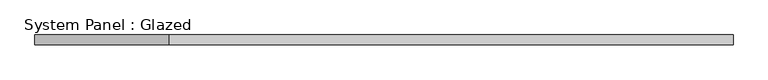
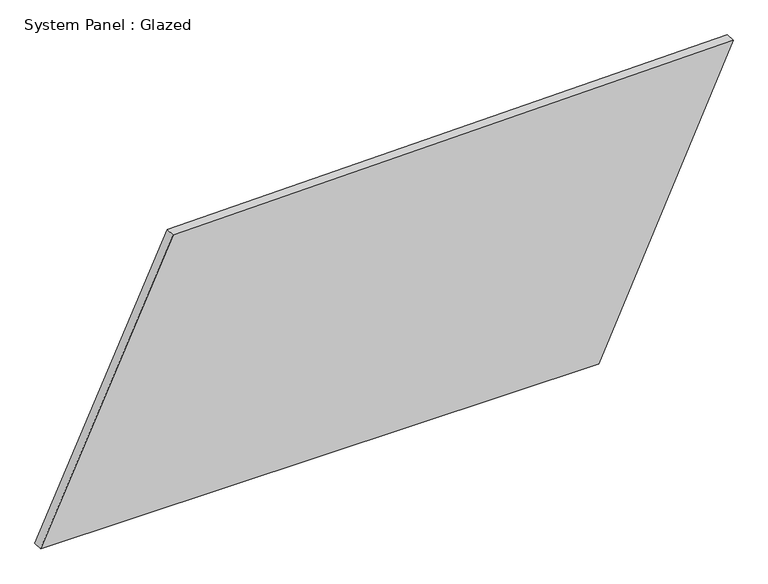
"""IFC4 building model written with IfcOpenShell, lengths in millimetres: plate geometry, System Panel : Glazed."""

from ifc_helpers import new_model, si_unit, frame, origin, place, context, project, spatial, polyline, outline, extrude, source, transform, mapped, element, save


def system_panel_glazed_399af251(model_context):
    return source(origin(), model_context, "Body", "SweptSolid", [
        extrude(outline(polyline([(0.0, -891.431737), (0.0, 546.1100928), (760.2722076, 891.431737), (734.7356873, -550.1799041), (0.0, -891.431737)])), frame((0.0, -49.5, 0.0), z_axis=(0.0, 1.0, 0.0), x_axis=(0.0, 0.0, 1.0)), (0.0, 0.0, 1.0), 25.0),
    ])


if __name__ == "__main__":
    model = new_model("IFC4")
    model_context = context("Model", 3, world=origin())
    ifc_project = project(units=[si_unit("LENGTHUNIT", "METRE", prefix="MILLI")], contexts=[model_context])
    site = spatial("IfcSite", under=ifc_project)
    building = spatial("IfcBuilding", under=site)
    placement = place(None, origin())
    system_panel_glazed_shape = system_panel_glazed_399af251(model_context)
    element("IfcPlate", 1, ObjectType="System Panel : Glazed", at=placement, inside=building, context=model_context, shape_type="MappedRepresentation", body=[
        mapped(system_panel_glazed_shape, transform((0.0, 0.0, 0.0), x_axis=(1.0, 0.0, 0.0), y_axis=(0.0, 1.0, 0.0), z_axis=(0.0, 0.0, 1.0))),
    ])
    save(model, "model.ifc")
